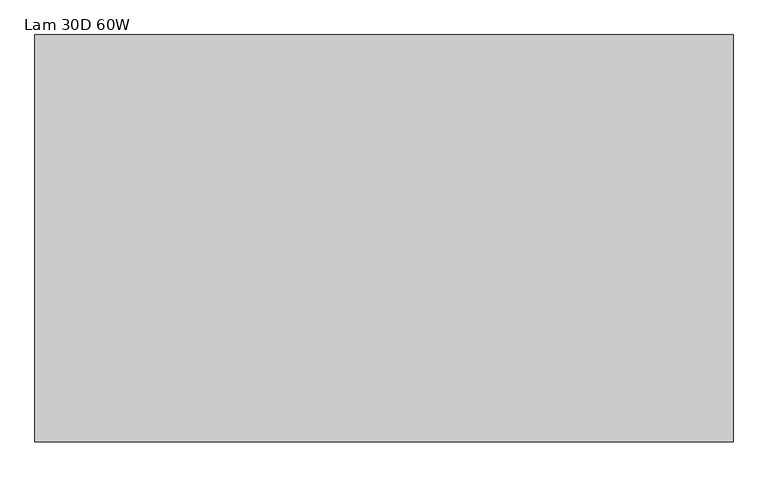
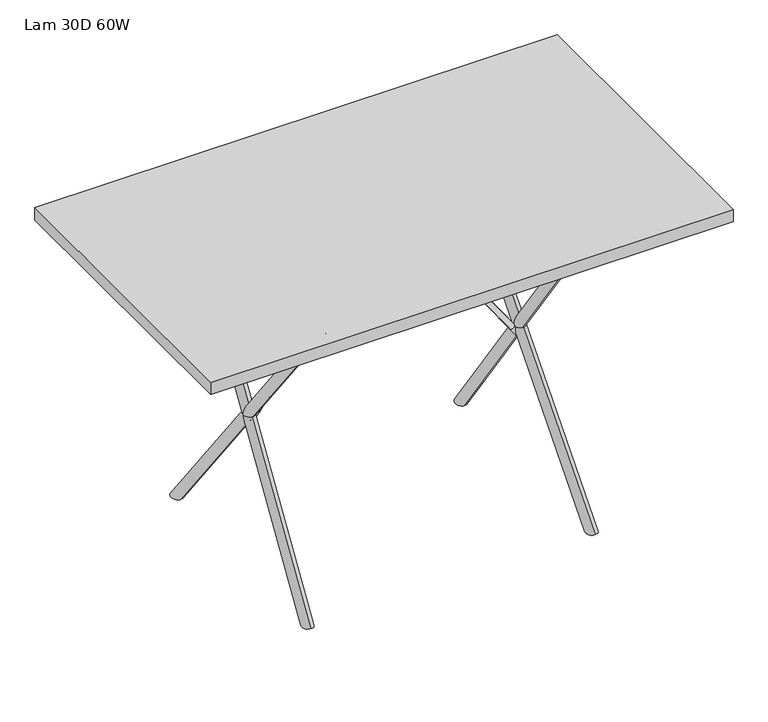
"""IFC4 building model written with IfcOpenShell, lengths in millimetres: furniture geometry, Lam 30D 60W."""

from ifc_helpers import new_model, si_unit, point, frame, frame_2d, origin, place, context, project, spatial, polyline, circle_curve, ellipse_curve, trimmed, segment, composite_curve, outline, extrude, source, transform, mapped, element, save
from ifc_brep_helpers import plane_surface, cylinder_surface, advanced_brep


def lam_30d_60w_25fba94f(model_context):
    return source(origin(), model_context, "Body", "SolidModel", [
        extrude(outline(composite_curve([segment(trimmed(circle_curve(frame_2d((0.0, 6.349985)), 6.3500301), [point((0.0, 12.7000151))], [point((0.0, -4.52e-05))], False, "CARTESIAN"), True, "CONTINUOUS"), segment(trimmed(circle_curve(frame_2d((0.0, 6.349985)), 6.3500301), [point((0.0, -4.52e-05))], [point((0.0, 12.7000151))], False, "CARTESIAN"), True, "CONTINUOUS")], self_intersect=False)), frame((298.4722567, 0.0, 355.4268153), z_axis=(-0.5735764183690047, 0.0, 0.8191520568801525), x_axis=(0.0, 1.0, 0.0)), (0.0, 0.0, 1.0), 433.5126859),
        extrude(outline(composite_curve([segment(trimmed(circle_curve(frame_2d((0.0, -6.349985)), 6.3500301), [point((0.0, 4.52e-05))], [point((0.0, -12.7000151))], False, "CARTESIAN"), True, "CONTINUOUS"), segment(trimmed(circle_curve(frame_2d((0.0, -6.349985)), 6.3500301), [point((0.0, -12.7000151))], [point((0.0, 4.52e-05))], False, "CARTESIAN"), True, "CONTINUOUS")], self_intersect=False)), frame((-311.5958629, 0.0, 336.6843624), z_axis=(0.5735764183690047, 0.0, 0.8191520568801525), x_axis=(0.0, 1.0, 0.0)), (0.0, 0.0, 1.0), 456.3929958),
        extrude(outline(composite_curve([segment(trimmed(circle_curve(frame_2d((0.0, -6.349985)), 6.3500301), [point((0.0, 4.52e-05))], [point((0.0, -12.7000151))], False, "CARTESIAN"), True, "CONTINUOUS"), segment(trimmed(circle_curve(frame_2d((0.0, -6.349985)), 6.3500301), [point((0.0, -12.7000151))], [point((0.0, 4.52e-05))], False, "CARTESIAN"), True, "CONTINUOUS")], self_intersect=False)), frame((311.5958629, 0.0, 336.6843624), z_axis=(-0.5735764183690047, 0.0, 0.8191520568801525), x_axis=(0.0, -1.0, 0.0)), (0.0, 0.0, 1.0), 456.3929958),
        extrude(outline(composite_curve([segment(trimmed(circle_curve(frame_2d((0.0, 6.349985)), 6.3500301), [point((0.0, 12.7000151))], [point((0.0, -4.52e-05))], False, "CARTESIAN"), True, "CONTINUOUS"), segment(trimmed(circle_curve(frame_2d((0.0, 6.349985)), 6.3500301), [point((0.0, -4.52e-05))], [point((0.0, 12.7000151))], False, "CARTESIAN"), True, "CONTINUOUS")], self_intersect=False)), frame((-298.4722567, 0.0, 355.4268153), z_axis=(0.5735764183690047, 0.0, 0.8191520568801525), x_axis=(0.0, -1.0, 0.0)), (0.0, 0.0, 1.0), 433.5126859),
        advanced_brep(
        [(-326.3269983, 243.900955, 0.0), (-326.3269983, 275.4219464, 0.0), (-294.8127296, -255.6181514, 721.7954208), (-295.4688542, -276.0829309, 706.7676985)],
        [
            (0, 1, ellipse_curve(frame((-326.3269983, 259.6614507, 0.0), z_axis=(0.0, 0.0, -1.0), x_axis=(0.05924020065670773, -0.9982437571185472, 0.0)), 15.7755105, 12.6991155)),
            (1, 0, ellipse_curve(frame((-326.3269983, 259.6614507, 0.0), z_axis=(0.0, 0.0, -1.0), x_axis=(0.05924020065670773, -0.9982437571185472, 0.0)), 15.7755105, 12.6991155)),
            (2, 3, circle_curve(frame((-295.1407919, -265.8505412, 714.2815597), z_axis=(0.035146587285348904, -0.5922475101821143, 0.8049891950115106), x_axis=(-0.025833473562813666, -0.8057560962742301, -0.5916838217837235)), 12.6991155)),
            (3, 2, circle_curve(frame((-295.1407919, -265.8505412, 714.2815597), z_axis=(0.035146587285348904, -0.5922475101821143, 0.8049891950115106), x_axis=(-0.025833473562813666, -0.8057560962742301, -0.5916838217837235)), 12.6991155)),
            (2, 1),
            (0, 3),
        ],
        [
            plane_surface(frame((600.0, -306.3011862, 0.0), z_axis=(0.0, 0.0, -1.0), x_axis=(0.0, 1.0, 0.0))),
            plane_surface(frame((-447.7220384, -276.0267563, 713.4565449), z_axis=(0.035146587285348904, -0.5922475101821143, 0.8049891950115106), x_axis=(-0.9990482215818578, 0.0, 0.04361938736533609))),
            cylinder_surface(frame((-295.1407919, -265.8505412, 714.2815597), z_axis=(0.035146587285348904, -0.5922475101821143, 0.8049891950115106), x_axis=(-0.025833473562813666, -0.8057560962742301, -0.5916838217837235)), 12.6991155),
        ],
        [
            (0, [[1, 2]]),
            (1, [[3, 4]]),
            (2, [[-3, 5, -1, 6]]),
            (2, [[-4, -6, -2, -5]]),
        ],
    ),
        advanced_brep(
        [(-320.6207087, -273.561655, 0.0), (-333.637246, -272.7891961, 0.0), (-326.3269983, -243.900955, 0.0), (-295.4688542, 276.0829309, 706.7676985), (-294.8127296, 255.6181514, 721.7954208), (-326.2812266, -274.6506568, 1.0483451)],
        [
            (0, 1),
            (1, 2, ellipse_curve(frame((-326.3269983, -259.6614507, 0.0), z_axis=(0.0, 0.0, -1.0), x_axis=(0.059240200656762644, 0.9982437571185439, 0.0)), 15.7755105, 12.6991155)),
            (2, 0, ellipse_curve(frame((-326.3269983, -259.6614507, 0.0), z_axis=(0.0, 0.0, -1.0), x_axis=(0.059240200656762644, 0.9982437571185439, 0.0)), 15.7755105, 12.6991155)),
            (3, 4, circle_curve(frame((-295.1407919, 265.8505412, 714.2815597), z_axis=(0.03514658728538636, 0.592247510182115, 0.8049891950115087), x_axis=(0.02583347356276269, -0.8057560962742296, 0.5916838217837262)), 12.6991155)),
            (4, 3, circle_curve(frame((-295.1407919, 265.8505412, 714.2815597), z_axis=(0.03514658728538636, 0.592247510182115, 0.8049891950115087), x_axis=(0.02583347356276269, -0.8057560962742296, 0.5916838217837262)), 12.6991155)),
            (0, 5, circle_curve(frame((-326.6092888, -264.4182671, -6.4655161), z_axis=(-0.03514658728538636, -0.592247510182115, -0.8049891950115087), x_axis=(0.02583347356276269, -0.8057560962742296, 0.5916838217837262)), 12.6991155)),
            (5, 1, circle_curve(frame((-326.6092888, -264.4182671, -6.4655161), z_axis=(-0.03514658728538636, -0.592247510182115, -0.8049891950115087), x_axis=(0.02583347356276269, -0.8057560962742296, 0.5916838217837262)), 12.6991155)),
            (4, 5),
            (2, 3),
        ],
        [
            plane_surface(frame((600.0, -306.3011862, 0.0), z_axis=(0.0, 0.0, -1.0), x_axis=(0.0, 1.0, 0.0))),
            plane_surface(frame((-447.7220384, 276.0267563, 713.4565449), z_axis=(0.03514658728538635, 0.592247510182115, 0.8049891950115086), x_axis=(-0.9990482215818578, 0.0, 0.043619387365336076))),
            plane_surface(frame((-479.1905353, -254.242052, -7.2905309), z_axis=(-0.03514658728538635, -0.592247510182115, -0.8049891950115086), x_axis=(-0.9990482215818578, 0.0, 0.043619387365336076))),
            cylinder_surface(frame((-295.1407919, 265.8505412, 714.2815597), z_axis=(0.03514658728538635, 0.5922475101821149, 0.8049891950115085), x_axis=(0.02583347356276269, -0.8057560962742296, 0.5916838217837262)), 12.6991155),
        ],
        [
            (0, [[1, 2, 3]]),
            (1, [[4, 5]]),
            (2, [[6, 7, -1]]),
            (3, [[-5, 8, -6, -3, 9]]),
            (3, [[-4, -9, -2, -7, -8]]),
        ],
    ),
        advanced_brep(
        [(295.4688542, -276.0829309, 706.7676985), (294.8127296, -255.6181514, 721.7954208), (326.3269983, 243.900955, 0.0), (326.3269983, 275.4219464, 0.0)],
        [
            (0, 1, circle_curve(frame((295.1407919, -265.8505412, 714.2815597), z_axis=(-0.0351465872853882, -0.5922475101821145, 0.8049891950115088), x_axis=(-0.025833473562760202, 0.80575609627423, 0.591683821783726)), 12.6991155)),
            (1, 0, circle_curve(frame((295.1407919, -265.8505412, 714.2815597), z_axis=(-0.0351465872853882, -0.5922475101821145, 0.8049891950115088), x_axis=(-0.025833473562760202, 0.80575609627423, 0.591683821783726)), 12.6991155)),
            (0, 2),
            (2, 3, ellipse_curve(frame((326.3269983, 259.6614507, 0.0), z_axis=(0.0, 0.0, 1.0), x_axis=(-0.059240200656773705, -0.9982437571185433, 0.0)), 15.7755105, 12.6991155)),
            (3, 1),
            (3, 2, ellipse_curve(frame((326.3269983, 259.6614507, 0.0), z_axis=(0.0, 0.0, 1.0), x_axis=(-0.059240200656773705, -0.9982437571185433, 0.0)), 15.7755105, 12.6991155)),
        ],
        [
            plane_surface(frame((447.7220384, -276.0267563, 713.4565449), z_axis=(-0.0351465872853882, -0.5922475101821145, 0.8049891950115088), x_axis=(0.9990482215818578, 0.0, 0.043619387365336076))),
            cylinder_surface(frame((295.1407919, -265.8505412, 714.2815597), z_axis=(-0.0351465872853882, -0.5922475101821145, 0.8049891950115088), x_axis=(-0.025833473562760202, 0.80575609627423, 0.591683821783726)), 12.6991155),
            plane_surface(frame((600.0, -306.3011862, 0.0), z_axis=(0.0, 0.0, -1.0), x_axis=(0.0, 1.0, 0.0))),
        ],
        [
            (0, [[1, 2]]),
            (1, [[-1, 3, 4, 5]]),
            (1, [[-2, -5, 6, -3]]),
            (2, [[-4, -6]]),
        ],
    ),
        advanced_brep(
        [(294.8127296, 255.6181514, 721.7954208), (295.4688542, 276.0829309, 706.7676985), (326.2812266, -274.6506568, 1.0483451), (320.6207087, -273.561655, 0.0), (333.637246, -272.7891961, 0.0), (326.3269983, -243.900955, 0.0)],
        [
            (0, 1, circle_curve(frame((295.1407919, 265.8505412, 714.2815597), z_axis=(-0.03514658728534323, 0.5922475101821145, 0.8049891950115108), x_axis=(0.025833473562821382, 0.8057560962742301, -0.5916838217837234)), 12.6991155)),
            (1, 0, circle_curve(frame((295.1407919, 265.8505412, 714.2815597), z_axis=(-0.03514658728534323, 0.5922475101821145, 0.8049891950115108), x_axis=(0.025833473562821382, 0.8057560962742301, -0.5916838217837234)), 12.6991155)),
            (2, 3, circle_curve(frame((326.6092888, -264.4182671, -6.4655161), z_axis=(0.03514658728534323, -0.5922475101821145, -0.8049891950115108), x_axis=(0.025833473562821382, 0.8057560962742301, -0.5916838217837234)), 12.6991155)),
            (3, 4),
            (4, 2, circle_curve(frame((326.6092888, -264.4182671, -6.4655161), z_axis=(0.03514658728534323, -0.5922475101821145, -0.8049891950115108), x_axis=(0.025833473562821382, 0.8057560962742301, -0.5916838217837234)), 12.6991155)),
            (1, 5),
            (5, 3, ellipse_curve(frame((326.3269983, -259.6614507, 0.0), z_axis=(0.0, 0.0, 1.0), x_axis=(-0.05924020065669025, 0.9982437571185482, 0.0)), 15.7755105, 12.6991155)),
            (2, 0),
            (4, 5, ellipse_curve(frame((326.3269983, -259.6614507, 0.0), z_axis=(0.0, 0.0, 1.0), x_axis=(-0.05924020065669025, 0.9982437571185482, 0.0)), 15.7755105, 12.6991155)),
        ],
        [
            plane_surface(frame((447.7220384, 276.0267563, 713.4565449), z_axis=(-0.03514658728534323, 0.5922475101821145, 0.8049891950115108), x_axis=(0.9990482215818578, 0.0, 0.04361938736533607))),
            plane_surface(frame((479.1905353, -254.242052, -7.2905309), z_axis=(0.03514658728534323, -0.5922475101821145, -0.8049891950115108), x_axis=(0.9990482215818578, 0.0, 0.04361938736533607))),
            cylinder_surface(frame((295.1407919, 265.8505412, 714.2815597), z_axis=(-0.03514658728534323, 0.5922475101821145, 0.8049891950115108), x_axis=(0.025833473562821382, 0.8057560962742301, -0.5916838217837234)), 12.6991155),
            plane_surface(frame((600.0, -306.3011862, 0.0), z_axis=(0.0, 0.0, -1.0), x_axis=(0.0, 1.0, 0.0))),
        ],
        [
            (0, [[1, 2]]),
            (1, [[3, 4, 5]]),
            (2, [[-2, 6, 7, -3, 8]]),
            (2, [[-1, -8, -5, 9, -6]]),
            (3, [[-4, -7, -9]]),
        ],
    ),
        extrude(outline(polyline([(-600.0, 350.0), (600.0, 350.0), (600.0, -350.0), (-600.0, -350.0), (-600.0, 350.0)])), frame((0.0, 0.0, 710.5396236), z_axis=(0.0, 0.0, 1.0), x_axis=(1.0, 0.0, 0.0)), (0.0, 0.0, 1.0), 29.9720078),
    ])


if __name__ == "__main__":
    model = new_model("IFC4")
    model_context = context("Model", 3, world=origin())
    ifc_project = project(units=[si_unit("LENGTHUNIT", "METRE", prefix="MILLI")], contexts=[model_context])
    site = spatial("IfcSite", under=ifc_project)
    building = spatial("IfcBuilding", under=site)
    placement = place(None, origin())
    lam_30d_60w_shape = lam_30d_60w_25fba94f(model_context)
    element("IfcFurniture", 1, ObjectType="Lam 30D 60W", at=placement, inside=building, context=model_context, shape_type="MappedRepresentation", body=[
        mapped(lam_30d_60w_shape, transform((0.0, 0.0, 0.0), x_axis=(1.0, 0.0, 0.0), y_axis=(0.0, 1.0, 0.0), z_axis=(0.0, 0.0, 1.0))),
    ])
    save(model, "model.ifc")
